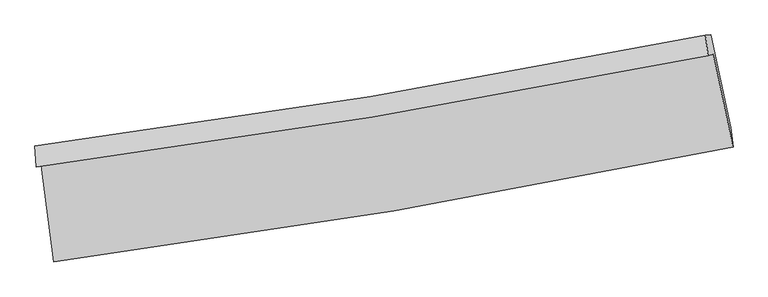
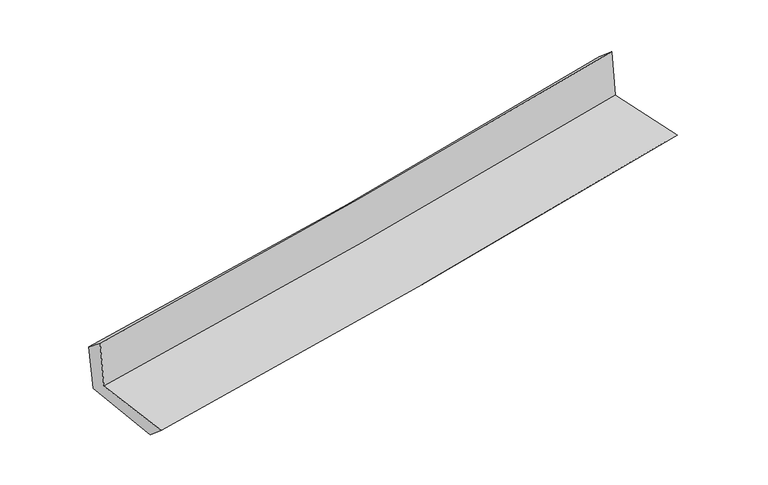
"""IFC4 building model written with IfcOpenShell, lengths in millimetres: proxy geometry."""

from ifc_helpers import new_model, si_unit, frame, origin, place, context, project, spatial, source, transform, mapped, element, save
from ifc_brep_helpers import plane_surface, spline_curve, spline_surface, advanced_brep


def generic_models_ad287543(model_context):
    return source(origin(), model_context, "Body", "AdvancedBrep", [
        advanced_brep(
        [(-2363.9498957, -1873.8320129, 1676.17825), (-2277.4627126, -2544.8045553, 1665.7816303), (2447.3090794, -1742.7374849, 2108.2516456), (2309.0134289, -1095.7694143, 2113.3309503), (-2399.1821288, -1884.4340718, 2067.320171), (2273.3047949, -1106.5148314, 2509.7617884), (-2407.2426331, -1736.1956625, 1951.503329), (2254.9462074, -964.9303758, 2386.6523767), (-2372.1111679, -1734.0484201, 1572.9597992), (2291.6965881, -962.6100013, 1998.0760551), (-2284.3708141, -2398.9085238, 1540.8354158), (2431.7952817, -1608.3766433, 1971.5154962)],
        [
            (0, 1),
            (1, 2, spline_curve(3, [(-2277.4627126, -2544.8045553, 1665.7816303), (-1487.044560857, -2439.813030723, 1745.489940176), (-698.804693875, -2320.623306996, 1822.156108711), (876.134874111, -2053.369541577, 1969.667952444), (1662.818937737, -1905.203575221, 2040.491788921), (2447.3090794, -1742.7374849, 2108.2516456)], [4, 2, 4], [0.0, 7.836945807117462, 15.701970844592744])),
            (2, 3),
            (3, 0, spline_curve(3, [(2309.0134289, -1095.7694143, 2113.3309503), (1532.624469614, -1252.248592507, 2046.46308787), (754.316580926, -1395.418922448, 1976.52914672), (-803.351537758, -1654.678262848, 1830.789726278), (-1582.698090474, -1770.862132203, 1755.006100958), (-2363.9498957, -1873.8320129, 1676.17825)], [4, 2, 4], [0.0, 7.865025037475282, 15.701970844592744])),
            (4, 0),
            (3, 5),
            (5, 4, spline_curve(3, [(2273.3047949, -1106.5148314, 2509.7617884), (1496.893919625, -1263.000604669, 2443.137234748), (718.614934542, -1406.162236725, 2372.882409597), (-838.894021598, -1665.37368222, 2225.375995448), (-1618.110677887, -1781.518463221, 2148.150281793), (-2399.1821288, -1884.4340718, 2067.320171)], [4, 2, 4], [0.0, 7.819493059588611, 15.611069444296293])),
            (6, 4),
            (5, 7),
            (7, 6, spline_curve(3, [(2254.9462074, -964.9303758, 2386.6523767), (1481.162449114, -1121.708703672, 2313.443186653), (705.055918997, -1264.459870475, 2240.511819953), (-849.023583413, -1521.448320567, 2095.464117672), (-1626.980000302, -1635.785582341, 2023.345801566), (-2407.2426331, -1736.1956625, 1951.503329)], [4, 2, 4], [0.0, 7.809749750752798, 15.591617611588726])),
            (8, 6),
            (7, 9),
            (9, 8, spline_curve(3, [(2291.6965881, -962.6100013, 1998.0760551), (1517.640964792, -1119.422368566, 1926.535467386), (741.263352782, -1262.205003884, 1855.275969155), (-813.355782593, -1519.251146389, 1713.572553811), (-1591.580756011, -1633.614650331, 1643.126633564), (-2372.1111679, -1734.0484201, 1572.9597992)], [4, 2, 4], [0.0, 7.800633550828729, 15.573417757838843])),
            (10, 8),
            (9, 11),
            (11, 10, spline_curve(3, [(2431.7952817, -1608.3766433, 1971.5154962), (1648.050294684, -1762.126628257, 1899.349894599), (862.457850647, -1904.977628489, 1827.313136319), (-709.610682572, -2168.410572712, 1683.754028111), (-1496.073603627, -2289.070199089, 1612.230759453), (-2284.3708141, -2398.9085238, 1540.8354158)], [4, 2, 4], [0.0, 7.846148848314524, 15.664285856884888])),
            (1, 10),
            (11, 2),
        ],
        [
            spline_surface(3, 3, [[(-2363.9498957, -1873.8320129, 1676.17825), (-1582.698090563, -1770.862132287, 1755.00610087), (-803.351537804, -1654.678262809, 1830.789726333), (754.316580972, -1395.418922488, 1976.529146665), (1532.624469723, -1252.248592477, 2046.463087987), (2309.0134289, -1095.7694143, 2113.3309503)], [(-2335.12083465, -2097.48952703, 1672.7127101), (-1550.813580625, -1993.845765122, 1751.834047324), (-768.502589814, -1876.659944235, 1827.911853784), (794.922678675, -1614.735795498, 1974.242081912), (1576.022625751, -1469.900253363, 2044.472655019), (2355.111979073, -1311.425437832, 2111.637848747)], [(-2306.29177365, -2321.14704117, 1669.2471702), (-1518.929070735, -2216.829397966, 1748.661993779), (-733.65364183, -2098.641625645, 1825.033981267), (835.528776374, -1834.052668491, 1971.955017191), (1619.420781757, -1687.551914253, 2042.482222011), (2401.210529227, -1527.081461368, 2109.944747153)], [(-2277.4627126, -2544.8045553, 1665.7816303), (-1487.044560797, -2439.813030801, 1745.489940233), (-698.80469384, -2320.623307072, 1822.156108718), (876.134874077, -2053.369541501, 1969.667952437), (1662.818937784, -1905.203575139, 2040.491789043), (2447.3090794, -1742.7374849, 2108.2516456)]], [4, 4], [4, 2, 4], [0.0, 2.2033795671864747], [0.0, 7.836945807117462, 15.701970844592744]),
            spline_surface(3, 3, [[(-2399.1821288, -1884.4340718, 2067.320171), (-1618.110677854, -1781.518463243, 2148.150281693), (-838.894021657, -1665.373682096, 2225.375995516), (718.614934601, -1406.162236849, 2372.882409529), (1496.893919611, -1263.000604558, 2443.137234833), (2273.3047949, -1106.5148314, 2509.7617884)], [(-2387.438051119, -1880.900052177, 1936.939530682), (-1606.306482109, -1777.966352935, 2017.102221434), (-827.046527055, -1661.808542327, 2093.847239133), (730.515483375, -1402.581132055, 2240.764655253), (1508.804102961, -1259.416600534, 2310.91251922), (2285.20767288, -1102.933025703, 2377.618175703)], [(-2375.693973381, -1877.366032523, 1806.558890318), (-1594.502286308, -1774.414242595, 1886.054161129), (-815.199032405, -1658.243402578, 1962.318482716), (742.416032198, -1399.000027282, 2108.646900942), (1520.714286373, -1255.832596501, 2178.687803599), (2297.11055092, -1099.351219997, 2245.474562997)], [(-2363.9498957, -1873.8320129, 1676.17825), (-1582.698090563, -1770.862132287, 1755.00610087), (-803.351537804, -1654.678262809, 1830.789726333), (754.316580972, -1395.418922488, 1976.529146665), (1532.624469723, -1252.248592477, 2046.463087987), (2309.0134289, -1095.7694143, 2113.3309503)]], [4, 4], [4, 2, 4], [0.0, 1.303210931551971], [0.0, 7.791576384707682, 15.611069444296293]),
            spline_surface(3, 3, [[(-2407.2426331, -1736.1956625, 1951.503329), (-1626.980000314, -1635.785582339, 2023.345801571), (-849.023583426, -1521.448320456, 2095.464117642), (705.05591901, -1264.459870587, 2240.511819984), (1481.162449006, -1121.708703569, 2313.443186534), (2254.9462074, -964.9303758, 2386.6523767)], [(-2404.555798342, -1785.608465607, 1990.108942985), (-1624.023559503, -1684.363209313, 2064.94729493), (-845.647062832, -1569.423441024, 2138.768076925), (709.575590877, -1311.693992696, 2284.635349825), (1486.406272571, -1168.806003891, 2356.674535982), (2261.065736597, -1012.125194325, 2427.688847282)], [(-2401.868963558, -1835.021268693, 2028.714557015), (-1621.067118666, -1732.940836269, 2106.548788334), (-842.27054225, -1617.398561527, 2182.072036232), (714.095262733, -1358.928114739, 2328.758879688), (1491.650096046, -1215.903304237, 2399.905885384), (2267.185265703, -1059.320012875, 2468.725317818)], [(-2399.1821288, -1884.4340718, 2067.320171), (-1618.110677854, -1781.518463243, 2148.150281693), (-838.894021657, -1665.373682096, 2225.375995516), (718.614934601, -1406.162236849, 2372.882409529), (1496.893919611, -1263.000604558, 2443.137234833), (2273.3047949, -1106.5148314, 2509.7617884)]], [4, 4], [4, 2, 4], [0.0, 0.6373133081311745], [0.0, 7.781867860835928, 15.591617611588726]),
            spline_surface(3, 3, [[(-2372.1111679, -1734.0484201, 1572.9597992), (-1591.580755936, -1633.614650302, 1643.126633604), (-813.355782602, -1519.251146262, 1713.572553908), (741.263352791, -1262.205004011, 1855.275969057), (1517.640964765, -1119.422368462, 1926.535467408), (2291.6965881, -962.6100013, 1998.0760551)], [(-2383.821656272, -1734.764167556, 1699.140975798), (-1603.380504034, -1634.338294303, 1769.866356257), (-825.245049559, -1519.983537637, 1840.869741817), (729.194208182, -1262.95662618, 1983.687919364), (1505.481459502, -1120.18448016, 2055.504707098), (2279.44646119, -963.383459462, 2127.601495615)], [(-2395.532144728, -1735.479915044, 1825.322152402), (-1615.180252216, -1635.061938337, 1896.606078917), (-837.134316469, -1520.715929081, 1968.166929732), (717.125063619, -1263.708248417, 2112.099869677), (1493.321954269, -1120.946591872, 2184.473946844), (2267.19633431, -964.156917638, 2257.126936185)], [(-2407.2426331, -1736.1956625, 1951.503329), (-1626.980000314, -1635.785582339, 2023.345801571), (-849.023583426, -1521.448320456, 2095.464117642), (705.05591901, -1264.459870587, 2240.511819984), (1481.162449006, -1121.708703569, 2313.443186534), (2254.9462074, -964.9303758, 2386.6523767)]], [4, 4], [4, 2, 4], [0.0, 1.2639634979600936], [0.0, 7.7727842070101145, 15.573417757838843]),
            spline_surface(3, 3, [[(-2284.3708141, -2398.9085238, 1540.8354158), (-1496.073603592, -2289.070199139, 1612.230759414), (-709.61068249, -2168.410572593, 1683.754027984), (862.457850565, -1904.977628608, 1827.313136446), (1648.050294773, -1762.126628339, 1899.349894682), (2431.7952817, -1608.3766433, 1971.5154962)], [(-2313.617598731, -2177.288489237, 1551.543543612), (-1527.909321071, -2070.585016197, 1622.529384156), (-744.192382524, -1952.024097167, 1693.693536621), (822.059684643, -1690.720087093, 1836.634080645), (1604.580518106, -1547.891875055, 1908.411752262), (2385.09571717, -1393.121095975, 1980.369015838)], [(-2342.864383269, -1955.668454663, 1562.251671388), (-1559.745038457, -1852.099833244, 1632.828008861), (-778.774082567, -1735.637621688, 1703.633045272), (781.661518713, -1476.462545525, 1845.955024858), (1561.110741431, -1333.657121747, 1917.473609828), (2338.39615263, -1177.865548625, 1989.222535462)], [(-2372.1111679, -1734.0484201, 1572.9597992), (-1591.580755936, -1633.614650302, 1643.126633604), (-813.355782602, -1519.251146262, 1713.572553908), (741.263352791, -1262.205004011, 1855.275969057), (1517.640964765, -1119.422368462, 1926.535467408), (2291.6965881, -962.6100013, 1998.0760551)]], [4, 4], [4, 2, 4], [0.0, 2.1532618523889178], [0.0, 7.818137008570364, 15.664285856884888]),
            spline_surface(3, 3, [[(-2277.4627126, -2544.8045553, 1665.7816303), (-1487.044560797, -2439.813030801, 1745.489940233), (-698.80469384, -2320.623307072, 1822.156108718), (876.134874077, -2053.369541501, 1969.667952437), (1662.818937784, -1905.203575139, 2040.491789043), (2447.3090794, -1742.7374849, 2108.2516456)], [(-2279.765413086, -2496.172544793, 1624.132892123), (-1490.054241715, -2389.56542024, 1701.070213283), (-702.406690033, -2269.885728897, 1776.02208182), (871.575866264, -2003.905570521, 1922.21634712), (1657.896056771, -1857.511259543, 1993.444490905), (2442.137813491, -1697.950537704, 2062.672929115)], [(-2282.068113614, -2447.540534307, 1582.484153977), (-1493.063922674, -2339.3178097, 1656.650486364), (-706.008686297, -2219.148150769, 1729.888054882), (867.016858378, -1954.441599588, 1874.764741763), (1652.973175786, -1809.818943935, 1946.39719282), (2436.966547609, -1653.163590496, 2017.094212685)], [(-2284.3708141, -2398.9085238, 1540.8354158), (-1496.073603592, -2289.070199139, 1612.230759414), (-709.61068249, -2168.410572593, 1683.754027984), (862.457850565, -1904.977628608, 1827.313136446), (1648.050294773, -1762.126628339, 1899.349894682), (2431.7952817, -1608.3766433, 1971.5154962)]], [4, 4], [4, 2, 4], [0.0, 0.6759389339543377], [0.0, 7.872602796955028, 15.773412580776107]),
            plane_surface(frame((2334.6775634, -1246.8231252, 2181.2647187), z_axis=(0.973788288817401, 0.2074238373733488, 0.09333659652779731), x_axis=(-0.09415516108403582, -0.005944842721918589, 0.9955397854863717))),
            plane_surface(frame((-2350.719892, -2028.7038744, 1745.7630992), z_axis=(-0.9877338903796454, -0.12588570992182735, -0.09238262733310978), x_axis=(-0.12782550657071756, 0.9916776336431367, 0.015365897366841326))),
        ],
        [
            (0, [[1, 2, 3, 4]]),
            (1, [[5, -4, 6, 7]]),
            (2, [[8, -7, 9, 10]]),
            (3, [[11, -10, 12, 13]]),
            (4, [[14, -13, 15, 16]]),
            (5, [[17, -16, 18, -2]]),
            (6, [[-12, -9, -6, -3, -18, -15]]),
            (7, [[-1, -5, -8, -11, -14, -17]]),
        ],
    ),
    ])


if __name__ == "__main__":
    model = new_model("IFC4")
    model_context = context("Model", 3, world=origin())
    ifc_project = project(units=[si_unit("LENGTHUNIT", "METRE", prefix="MILLI")], contexts=[model_context])
    site = spatial("IfcSite", under=ifc_project)
    building = spatial("IfcBuilding", under=site)
    placement = place(None, origin())
    generic_models_shape = generic_models_ad287543(model_context)
    element("IfcBuildingElementProxy", 1, Name="Generic Models", at=placement, inside=building, context=model_context, shape_type="MappedRepresentation", body=[
        mapped(generic_models_shape, transform((0.0, 0.0, 0.0), x_axis=(1.0, 0.0, 0.0), y_axis=(0.0, 1.0, 0.0), z_axis=(0.0, 0.0, 1.0))),
    ])
    save(model, "model.ifc")
